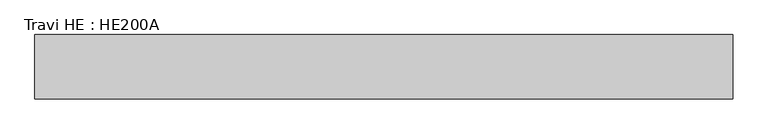
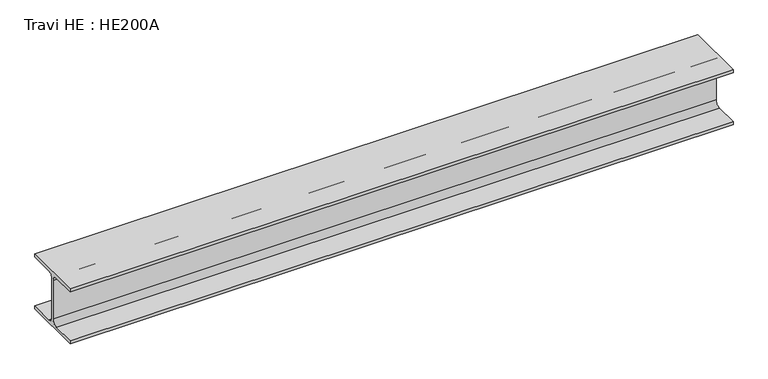
"""IFC4 building model written with IfcOpenShell, lengths in millimetres: beam geometry, Travi HE : HE200A."""

from ifc_helpers import new_model, si_unit, point, frame, frame_2d, origin, place, context, project, spatial, polyline, circle_curve, trimmed, segment, composite_curve, outline, extrude, source, transform, mapped, element, save


def travi_he_he200a_14065193(model_context):
    return source(origin(), model_context, "Body", "SweptSolid", [
        extrude(outline(composite_curve([segment(polyline([(100.0, -85.0), (100.0, -95.0), (-100.0, -95.0), (-100.0, -85.0), (-21.25, -85.0)]), True, "CONTINUOUS"), segment(trimmed(circle_curve(frame_2d((-21.25, -67.0)), 18.0), [point((-21.25, -85.0))], [point((-3.25, -67.0))], True, "CARTESIAN"), True, "CONTINUOUS"), segment(polyline([(-3.25, -67.0), (-3.25, 67.0)]), True, "CONTINUOUS"), segment(trimmed(circle_curve(frame_2d((-21.25, 67.0)), 18.0), [point((-3.25, 67.0))], [point((-21.25, 85.0))], True, "CARTESIAN"), True, "CONTINUOUS"), segment(polyline([(-21.25, 85.0), (-100.0, 85.0), (-100.0, 95.0), (100.0, 95.0), (100.0, 85.0), (21.25, 85.0)]), True, "CONTINUOUS"), segment(trimmed(circle_curve(frame_2d((21.25, 67.0)), 18.0), [point((21.25, 85.0))], [point((3.25, 67.0))], True, "CARTESIAN"), True, "CONTINUOUS"), segment(polyline([(3.25, 67.0), (3.25, -67.0)]), True, "CONTINUOUS"), segment(trimmed(circle_curve(frame_2d((21.25, -67.0)), 18.0), [point((3.25, -67.0))], [point((21.25, -85.0))], True, "CARTESIAN"), True, "CONTINUOUS"), segment(polyline([(21.25, -85.0), (100.0, -85.0)]), True, "CONTINUOUS")], self_intersect=False)), frame((-1087.0, 0.0, 0.0), z_axis=(1.0, 0.0, 0.0), x_axis=(0.0, 1.0, 0.0)), (0.0, 0.0, 1.0), 2174.0),
    ])


if __name__ == "__main__":
    model = new_model("IFC4")
    model_context = context("Model", 3, world=origin())
    ifc_project = project(units=[si_unit("LENGTHUNIT", "METRE", prefix="MILLI")], contexts=[model_context])
    site = spatial("IfcSite", under=ifc_project)
    building = spatial("IfcBuilding", under=site)
    placement = place(None, origin())
    travi_he_he200a_shape = travi_he_he200a_14065193(model_context)
    element("IfcBeam", 1, ObjectType="Travi HE : HE200A", at=placement, inside=building, context=model_context, shape_type="MappedRepresentation", body=[
        mapped(travi_he_he200a_shape, transform((0.0, 0.0, 0.0), x_axis=(1.0, 0.0, 0.0), y_axis=(0.0, 1.0, 0.0), z_axis=(0.0, 0.0, 1.0))),
    ])
    save(model, "model.ifc")
